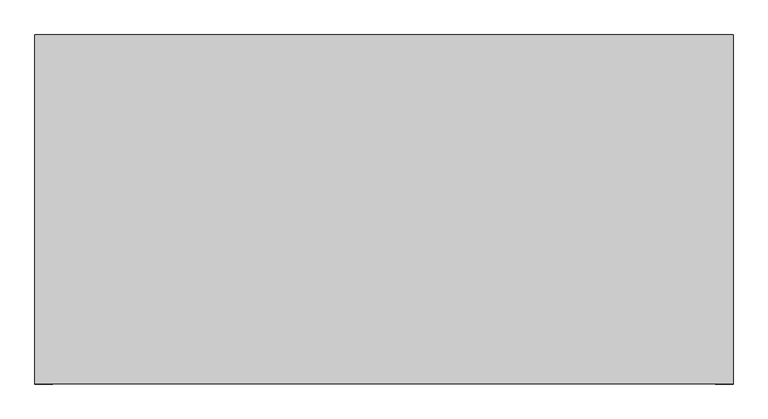
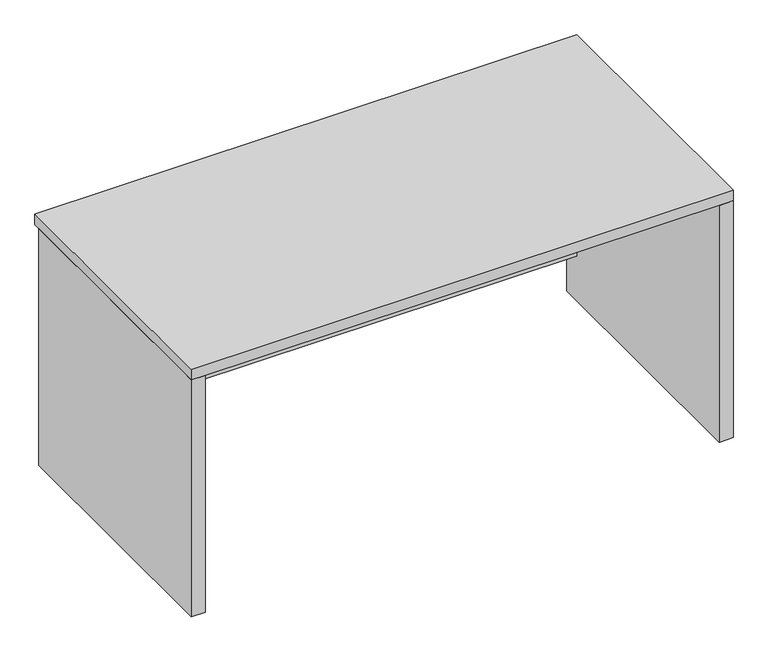
"""IFC4 building model written with IfcOpenShell, lengths in millimetres: furniture geometry."""

from ifc_helpers import new_model, si_unit, frame, origin, origin_with_axes, place, context, project, spatial, polyline, outline, extrude, source, transform, mapped, element, save


def furniture_bcae8f5c(model_context):
    return source(origin(), model_context, "Body", "SweptSolid", [
        extrude(outline(polyline([(1461.29375, -292.1), (1461.29375, -321.46875), (15.08125, -321.46875), (15.08125, -292.1), (1461.29375, -292.1)])), frame((0.0, 0.0, 133.35), z_axis=(0.0, 0.0, 1.0), x_axis=(1.0, 0.0, 0.0)), (0.0, 0.0, 1.0), 508.0),
        extrude(outline(polyline([(1500.1875, -273.05), (1500.1875, -1016.0), (1461.29375, -1016.0), (1461.29375, -273.05), (1500.1875, -273.05)])), origin_with_axes(), (0.0, 0.0, 1.0), 704.85),
        extrude(outline(polyline([(15.08125, -273.05), (15.08125, -1016.0), (-23.8125, -1016.0), (-23.8125, -273.05), (15.08125, -273.05)])), origin_with_axes(), (0.0, 0.0, 1.0), 704.85),
        extrude(outline(polyline([(1500.1875, -254.0), (1500.1875, -1016.0), (-23.8125, -1016.0), (-23.8125, -254.0), (1500.1875, -254.0)])), frame((0.0, 0.0, 704.85), z_axis=(0.0, 0.0, 1.0), x_axis=(1.0, 0.0, 0.0)), (0.0, 0.0, 1.0), 31.75),
    ])


if __name__ == "__main__":
    model = new_model("IFC4")
    model_context = context("Model", 3, world=origin())
    ifc_project = project(units=[si_unit("LENGTHUNIT", "METRE", prefix="MILLI")], contexts=[model_context])
    site = spatial("IfcSite", under=ifc_project)
    building = spatial("IfcBuilding", under=site)
    placement = place(None, origin())
    furniture_shape = furniture_bcae8f5c(model_context)
    element("IfcFurniture", 1, at=placement, inside=building, context=model_context, shape_type="MappedRepresentation", body=[
        mapped(furniture_shape, transform((0.0, 0.0, 0.0), x_axis=(1.0, 0.0, 0.0), y_axis=(0.0, 1.0, 0.0), z_axis=(0.0, 0.0, 1.0))),
    ])
    save(model, "model.ifc")
